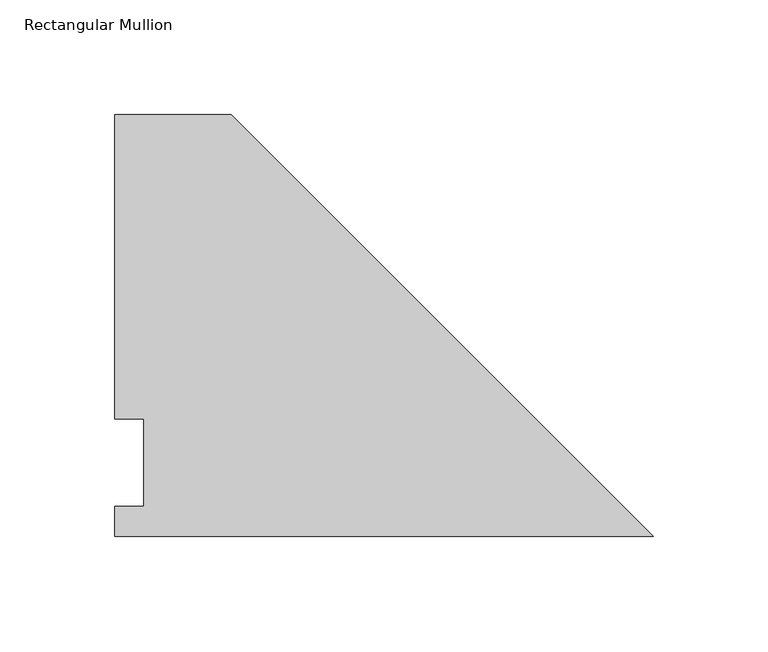
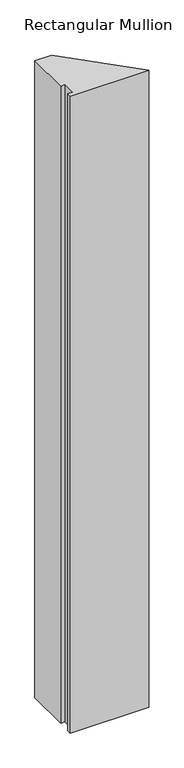
"""IFC4 building model written with IfcOpenShell, lengths in millimetres: member geometry, Rectangular Mullion."""

from ifc_helpers import new_model, si_unit, frame, origin, place, context, project, spatial, polyline, outline, extrude, source, transform, mapped, element, save


def rectangular_mullion_9af42b8a(model_context):
    return source(origin(), model_context, "Body", "SweptSolid", [
        extrude(outline(polyline([(-184.2262, 184.2396938), (0.0, 0.0134937), (-235.0262, 0.0134937), (-235.0262, 13.1960938), (-222.3262, 13.1960938), (-222.3262, 51.2960937), (-235.0262, 51.2960937), (-235.0262, 184.2396938), (-184.2262, 184.2396938)])), frame((0.0, 0.0, -2019.3), z_axis=(0.0, 0.0, 1.0), x_axis=(1.0, 0.0, 0.0)), (0.0, 0.0, 1.0), 2019.3),
    ])


if __name__ == "__main__":
    model = new_model("IFC4")
    model_context = context("Model", 3, world=origin())
    ifc_project = project(units=[si_unit("LENGTHUNIT", "METRE", prefix="MILLI")], contexts=[model_context])
    site = spatial("IfcSite", under=ifc_project)
    building = spatial("IfcBuilding", under=site)
    placement = place(None, origin())
    rectangular_mullion_shape = rectangular_mullion_9af42b8a(model_context)
    element("IfcMember", 1, ObjectType="Rectangular Mullion", at=placement, inside=building, context=model_context, shape_type="MappedRepresentation", body=[
        mapped(rectangular_mullion_shape, transform((0.0, 0.0, 0.0), x_axis=(1.0, 0.0, 0.0), y_axis=(0.0, 1.0, 0.0), z_axis=(0.0, 0.0, 1.0))),
    ])
    save(model, "model.ifc")
